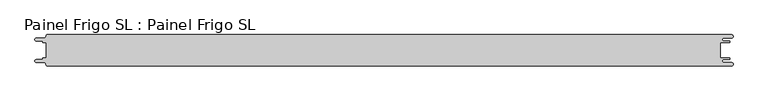
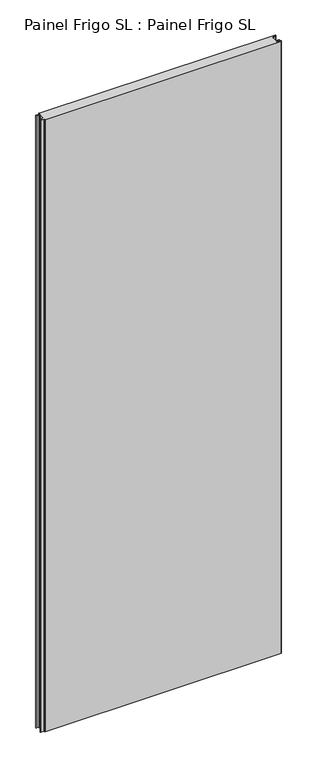
"""IFC4 building model written with IfcOpenShell, lengths in millimetres: proxy geometry, Painel Frigo SL : Painel Frigo SL."""

import ifcopenshell
import ifcopenshell.guid

model = None  # the IFC model being written
_history = None  # IfcOwnerHistory: only IFC2X3 demands one
_inside = {}  # id of a spatial element -> (the spatial element, [elements in it])
_under = {}  # id of a project, library or spatial element -> (it, [spatial elements below it])
_declared = {}  # id of a project -> (the project, [libraries it declares])
_typed = {}  # id of a type object -> (the type object, [elements of that type])
_made_of = {}  # id of a material, layer set ... -> (it, [elements and type objects made of it])


def new_model(schema):
    """Start an empty IFC model of exactly this schema.

    Asked for "IFC4X3", IfcOpenShell would pick the latest addendum, in which some entities
    have other attributes; the version numbers below select the first issue.
    IFC2X3 requires an IfcOwnerHistory on every rooted entity: one is made here for all.
    """
    global model, _history
    if schema == "IFC4X3":
        model = ifcopenshell.file(schema_version=(4, 3, 0, 0))
    else:
        model = ifcopenshell.file(schema=schema)
    _inside.clear()
    _under.clear()
    _declared.clear()
    _typed.clear()
    _made_of.clear()
    _history = None
    if model.schema == "IFC2X3":
        org = make("IfcOrganization", Name="unknown")
        user = make(
            "IfcPersonAndOrganization",
            ThePerson=make("IfcPerson", FamilyName="unknown"),
            TheOrganization=org,
        )
        app = make(
            "IfcApplication",
            ApplicationDeveloper=org,
            Version="unknown",
            ApplicationFullName="unknown",
            ApplicationIdentifier="unknown",
        )
        _history = make(
            "IfcOwnerHistory",
            OwningUser=user,
            OwningApplication=app,
            ChangeAction="ADDED",
            CreationDate=0,
        )
    return model


def make(cls, **values):
    """One entity of the class cls with the attributes given. An attribute that is None is left unset."""
    return model.create_entity(
        cls, **{name: value for name, value in values.items() if value is not None}
    )


def rooted(cls, **values):
    """An entity with a GlobalId (a new one), such as an element, a storey or a relation."""
    return make(cls, GlobalId=ifcopenshell.guid.new(), OwnerHistory=_history, **values)


def si_unit(unit_type, name, prefix=None):
    """IfcSIUnit, for example si_unit("LENGTHUNIT", "METRE", prefix="MILLI")."""
    return make("IfcSIUnit", UnitType=unit_type, Prefix=prefix, Name=name)


def assignment(units):
    """IfcUnitAssignment: the units of a project."""
    return None if units is None else make("IfcUnitAssignment", Units=units)


def point(xyz):
    """IfcCartesianPoint."""
    return None if xyz is None else make("IfcCartesianPoint", Coordinates=xyz)


def direction(xyz):
    """IfcDirection."""
    return None if xyz is None else make("IfcDirection", DirectionRatios=xyz)


def frame(location, z_axis=None, x_axis=None):
    """IfcAxis2Placement3D, a coordinate frame: its origin and axes. An axis left out is left unset."""
    return make(
        "IfcAxis2Placement3D",
        Location=point(location),
        Axis=direction(z_axis),
        RefDirection=direction(x_axis),
    )


def origin():
    """The frame at (0, 0, 0) with its axes left unset."""
    return frame((0.0, 0.0, 0.0))


def place(relative_to, where):
    """IfcLocalPlacement: puts the frame where relative to a parent placement (None: the world)."""
    return make(
        "IfcLocalPlacement", PlacementRelTo=relative_to, RelativePlacement=where
    )


def context(
    kind, dimensions, precision=None, world=None, true_north=None, identifier=None
):
    """IfcGeometricRepresentationContext, for example the 3D "Model" context."""
    return make(
        "IfcGeometricRepresentationContext",
        ContextIdentifier=identifier,
        ContextType=kind,
        CoordinateSpaceDimension=dimensions,
        Precision=precision,
        WorldCoordinateSystem=world,
        TrueNorth=true_north,
    )


def project(units=None, contexts=None):
    """IfcProject with its units and contexts."""
    return rooted(
        "IfcProject",
        Name="project",
        RepresentationContexts=contexts,
        UnitsInContext=assignment(units),
    )


def spatial(cls, under=None, at=None, **own):
    """A site, building, storey or space (cls), placed at a placement, below another one or the project."""
    s = rooted(cls, ObjectPlacement=at, **own)
    if under is not None:
        _under.setdefault(under.id(), (under, []))[1].append(s)
    return s


def polyline(points):
    """IfcPolyline through the points."""
    return make("IfcPolyline", Points=[point(p) for p in points])


def circle_curve(where, radius):
    """IfcCircle in the frame where."""
    return make("IfcCircle", Position=where, Radius=radius)


def shape(context_of_items, identifier, shape_type, items):
    """IfcShapeRepresentation: the items that make up one representation, for example the "Body"."""
    return make(
        "IfcShapeRepresentation",
        ContextOfItems=context_of_items,
        RepresentationIdentifier=identifier,
        RepresentationType=shape_type,
        Items=items,
    )


def source(mapping_origin, context_of_items, identifier, shape_type, items):
    """IfcRepresentationMap: a shape defined once, which mapped items show again and again."""
    return make(
        "IfcRepresentationMap",
        MappingOrigin=mapping_origin,
        MappedRepresentation=shape(context_of_items, identifier, shape_type, items),
    )


def transform(
    local_origin,
    x_axis=None,
    y_axis=None,
    z_axis=None,
    scale=None,
    scale2=None,
    scale3=None,
    uniform=True,
):
    """IfcCartesianTransformationOperator3D, or its non-uniform kind. x_axis, y_axis, z_axis: its Axis1, 2, 3."""
    if uniform:
        return make(
            "IfcCartesianTransformationOperator3D",
            Axis1=direction(x_axis),
            Axis2=direction(y_axis),
            LocalOrigin=point(local_origin),
            Scale=scale,
            Axis3=direction(z_axis),
        )
    return make(
        "IfcCartesianTransformationOperator3DnonUniform",
        Axis1=direction(x_axis),
        Axis2=direction(y_axis),
        LocalOrigin=point(local_origin),
        Scale=scale,
        Axis3=direction(z_axis),
        Scale2=scale2,
        Scale3=scale3,
    )


def mapped(mapping_source, mapping_target):
    """IfcMappedItem: shows the shape of a source again, moved by a transform."""
    return make(
        "IfcMappedItem", MappingSource=mapping_source, MappingTarget=mapping_target
    )


def made_of(thing, what):
    """Note that an element or type object is made of a material, layer set ...; save() writes the relation."""
    if what is not None:
        _made_of.setdefault(what.id(), (what, []))[1].append(thing)
    return thing


def element(
    cls,
    number,
    at=None,
    inside=None,
    cuts=None,
    type_object=None,
    material=None,
    context=None,
    identifier="Body",
    shape_type=None,
    held_by="IfcProductDefinitionShape",
    body=None,
    shapes=None,
    **own,
):
    """One element of the class cls, such as IfcWall. Its Tag is "e" and its number.

    at: its placement. inside: the storey or other place that contains it. cuts: it is an
    opening in that element (IfcRelVoidsElement). A single representation is given by context,
    identifier, shape_type and body (its items); several are given by shapes. held_by: the class
    of the entity that holds the representations. save() writes the other relations.
    """
    e = rooted(cls, Tag="e%d" % number, ObjectPlacement=at, **own)
    if body is not None:
        shapes = [shape(context, identifier, shape_type, body)]
    if shapes is not None:
        e.Representation = make(held_by, Representations=shapes)
    if inside is not None:
        _inside.setdefault(inside.id(), (inside, []))[1].append(e)
    if cuts is not None:
        rooted(
            "IfcRelVoidsElement", RelatingBuildingElement=cuts, RelatedOpeningElement=e
        )
    if type_object is not None:
        _typed.setdefault(type_object.id(), (type_object, []))[1].append(e)
    return made_of(e, material)


def aggregate(whole, parts):
    """IfcRelAggregates: a whole, such as a stair, and the parts it consists of."""
    return rooted("IfcRelAggregates", RelatingObject=whole, RelatedObjects=parts)


def save(model, path):
    """Write the relations noted so far, then the file.

    IfcRelAggregates (storeys below a building ...), IfcRelContainedInSpatialStructure (elements
    in a storey), IfcRelDefinesByType, IfcRelAssociatesMaterial and IfcRelDeclares: one each for
    every whole, place, type object, material and project.
    """
    for whole, parts in _under.values():
        aggregate(whole, parts)
    for where, things in _inside.values():
        rooted(
            "IfcRelContainedInSpatialStructure",
            RelatedElements=things,
            RelatingStructure=where,
        )
    for kind, things in _typed.values():
        rooted("IfcRelDefinesByType", RelatedObjects=things, RelatingType=kind)
    for what, things in _made_of.values():
        rooted("IfcRelAssociatesMaterial", RelatedObjects=things, RelatingMaterial=what)
    for by, libraries in _declared.values():
        rooted("IfcRelDeclares", RelatingContext=by, RelatedDefinitions=libraries)
    model.write(path)


def plane_surface(at):
    """IfcPlane: the flat surface through the origin of the frame at, square to its z axis."""
    return make("IfcPlane", Position=at)


def cylinder_surface(at, radius):
    """IfcCylindricalSurface: all points at the distance radius from the z axis of the frame at."""
    return make("IfcCylindricalSurface", Position=at, Radius=radius)


def revolved_surface(curve, axis_point, axis_direction):
    """IfcSurfaceOfRevolution: the curve turned about the line through axis_point along axis_direction."""
    return make(
        "IfcSurfaceOfRevolution",
        SweptCurve=make("IfcArbitraryOpenProfileDef", ProfileType="CURVE", Curve=curve),
        AxisPosition=make("IfcAxis1Placement", Location=point(axis_point), Axis=direction(axis_direction)),
    )


def advanced_brep(points, edges, surfaces, faces):
    """IfcAdvancedBrep: a solid bounded by faces that lie on surfaces and meet in shared edges.

    An edge is (start, end): straight between two places in points (the first is 0);
    or (start, end, curve); or (start, end, curve, False) where it runs against its curve.
    A face is (place in surfaces, loops), or (place, loops, False) where it looks against
    its surface's normal. A loop lists edges by number (the first is 1), with a minus sign
    where the edge is run from its end to its start. The first loop is the outer one.
    """
    corners = [point(p) for p in points]
    vertices = [make("IfcVertexPoint", VertexGeometry=c) for c in corners]
    made = []
    for start, end, *more in edges:
        made.append(
            make(
                "IfcEdgeCurve",
                EdgeStart=vertices[start],
                EdgeEnd=vertices[end],
                EdgeGeometry=more[0] if more else make("IfcPolyline", Points=[corners[start], corners[end]]),
                SameSense=more[1] if len(more) > 1 else True,
            )
        )
    hull = []
    for where, loops, *sense in faces:
        bounds = []
        for j, loop in enumerate(loops):
            ring = [make("IfcOrientedEdge", EdgeElement=made[abs(k) - 1], Orientation=k > 0) for k in loop]
            bounds.append(
                make(
                    "IfcFaceOuterBound" if j == 0 else "IfcFaceBound",
                    Bound=make("IfcEdgeLoop", EdgeList=ring),
                    Orientation=True,
                )
            )
        hull.append(make("IfcAdvancedFace", Bounds=bounds, FaceSurface=surfaces[where], SameSense=sense[0] if sense else True))
    return make("IfcAdvancedBrep", Outer=make("IfcClosedShell", CfsFaces=hull))


def painel_frigo_sl_painel_frigo_sl_40a0aaa0(model_context):
    return source(origin(), model_context, "Body", "AdvancedBrep", [
        advanced_brep(
        [(-554.5874998, 12.3, 3000.0), (-549.2999612, 12.3, 3000.0), (-549.2999612, -12.2999995, 3000.0), (-554.5874998, -12.2999995, 3000.0), (-555.1875003, -12.9, 3000.0), (-555.1875003, -13.7085185, 3000.0), (-556.5875003, -15.1085185, 3000.0), (-565.565625, -15.1085185, 3000.0), (-565.565625, -19.5085185, 3000.0), (-553.55, -19.5085185, 3000.0), (-550.0, -23.0585185, 3000.0), (-548.05, -25.0, 3000.0), (546.89375, -25.0, 3000.0), (546.89375, -19.725, 3000.0), (534.45625, -19.725, 3000.0), (534.45625, -14.875, 3000.0), (543.1187503, -14.875, 3000.0), (543.1187503, -12.3, 3000.0), (529.2687503, -12.3, 3000.0), (529.2687503, 12.3, 3000.0), (543.1187503, 12.3, 3000.0), (543.1187503, 14.875, 3000.0), (534.45625, 14.875, 3000.0), (534.45625, 19.725, 3000.0), (546.89375, 19.725, 3000.0), (546.89375, 25.0, 3000.0), (-548.05, 25.0, 3000.0), (-550.0, 23.05, 3000.0), (-553.55, 19.5085185, 3000.0), (-565.565625, 19.5085185, 3000.0), (-565.565625, 15.1085187, 3000.0), (-556.5875001, 15.1085187, 3000.0), (-555.1874998, 13.7085184, 3000.0), (-555.1874998, 12.9, 3000.0), (-554.5874998, 12.3, 0.0), (-555.1874998, 12.9, 0.0), (-555.1874998, 13.7085184, 0.0), (-556.5875001, 15.1085187, 0.0), (-565.565625, 15.1085187, 0.0), (-565.565625, 19.5085185, 0.0), (-553.55, 19.5085185, 0.0), (-550.0, 23.0585185, 0.0), (-548.05, 25.0, 0.0), (546.89375, 25.0, 0.0), (546.89375, 19.725, 0.0), (534.45625, 19.725, 0.0), (534.45625, 14.875, 0.0), (543.1187503, 14.875, 0.0), (543.1187503, 12.3, 0.0), (529.2687503, 12.3, 0.0), (529.2687503, -12.3, 0.0), (543.1187503, -12.3, 0.0), (543.1187503, -14.875, 0.0), (534.45625, -14.875, 0.0), (534.45625, -19.725, 0.0), (546.89375, -19.725, 0.0), (546.89375, -25.0, 0.0), (-548.05, -25.0, 0.0), (-550.0, -23.05, 0.0), (-553.55, -19.5085185, 0.0), (-565.565625, -19.5085185, 0.0), (-565.565625, -15.1085185, 0.0), (-556.5875003, -15.1085185, 0.0), (-555.1875003, -13.7085185, 0.0), (-555.1875003, -12.9, 0.0), (-554.5874998, -12.2999995, 0.0), (-549.2999612, -12.2999995, 0.0), (-549.2999612, 12.3, 0.0)],
        [
            (0, 1),
            (1, 2),
            (2, 3),
            (3, 4, circle_curve(frame((-554.5874998, -12.9, 3000.0), z_axis=(0.0, 0.0, 1.0), x_axis=(1.0, 0.0, 0.0)), 0.6000005)),
            (4, 5),
            (5, 6, circle_curve(frame((-556.5875003, -13.7085185, 3000.0), z_axis=(0.0, 0.0, -1.0), x_axis=(1.0, 0.0, 0.0)), 1.4)),
            (6, 7),
            (7, 8, circle_curve(frame((-565.565625, -17.3085185, 3000.0), z_axis=(0.0, 0.0, 1.0), x_axis=(1.0, 0.0, 0.0)), 2.2)),
            (8, 9),
            (9, 10, circle_curve(frame((-553.55, -23.0585185, 3000.0), z_axis=(0.0, 0.0, -1.0), x_axis=(1.0, 0.0, 0.0)), 3.55)),
            (10, 11, circle_curve(frame((-548.05, -23.05, 3000.0), z_axis=(0.0, 0.0, 1.0), x_axis=(1.0, 0.0, 0.0)), 1.95)),
            (11, 12),
            (12, 13, circle_curve(frame((546.89375, -22.3625, 3000.0), z_axis=(0.0, 0.0, 1.0), x_axis=(1.0, 0.0, 0.0)), 2.6375)),
            (13, 14),
            (14, 15, circle_curve(frame((534.45625, -17.3, 3000.0), z_axis=(0.0, 0.0, -1.0), x_axis=(1.0, 0.0, 0.0)), 2.425)),
            (15, 16),
            (16, 17, circle_curve(frame((543.1187503, -13.5875, 3000.0), z_axis=(0.0, 0.0, 1.0), x_axis=(1.0, 0.0, 0.0)), 1.2875)),
            (17, 18),
            (18, 19),
            (19, 20),
            (20, 21, circle_curve(frame((543.1187503, 13.5875, 3000.0), z_axis=(0.0, 0.0, 1.0), x_axis=(1.0, 0.0, 0.0)), 1.2875)),
            (21, 22),
            (22, 23, circle_curve(frame((534.45625, 17.3, 3000.0), z_axis=(0.0, 0.0, -1.0), x_axis=(1.0, 0.0, 0.0)), 2.425)),
            (23, 24),
            (24, 25, circle_curve(frame((546.89375, 22.3625, 3000.0), z_axis=(0.0, 0.0, 1.0), x_axis=(1.0, 0.0, 0.0)), 2.6375)),
            (25, 26),
            (26, 27, circle_curve(frame((-548.05, 23.05, 3000.0), z_axis=(0.0, 0.0, 1.0), x_axis=(1.0, 0.0, 0.0)), 1.95)),
            (27, 28, circle_curve(frame((-553.55, 23.0585185, 3000.0), z_axis=(0.0, 0.0, -1.0), x_axis=(1.0, 0.0, 0.0)), 3.55)),
            (28, 29),
            (29, 30, circle_curve(frame((-565.565625, 17.3085186, 3000.0), z_axis=(0.0, 0.0, 1.0), x_axis=(1.0, 0.0, 0.0)), 2.1999999)),
            (30, 31),
            (31, 32, circle_curve(frame((-556.5875001, 13.7085184, 3000.0), z_axis=(0.0, 0.0, -1.0), x_axis=(1.0, 0.0, 0.0)), 1.4000003)),
            (32, 33),
            (33, 0, circle_curve(frame((-554.5874998, 12.9, 3000.0), z_axis=(0.0, 0.0, 1.0), x_axis=(1.0, 0.0, 0.0)), 0.6)),
            (34, 35, circle_curve(frame((-554.5874998, 12.9, 0.0), z_axis=(0.0, 0.0, -1.0), x_axis=(1.0, 0.0, 0.0)), 0.6)),
            (35, 36),
            (36, 37, circle_curve(frame((-556.5875001, 13.7085184, 0.0), z_axis=(0.0, 0.0, 1.0), x_axis=(1.0, 0.0, 0.0)), 1.4000003)),
            (37, 38),
            (38, 39, circle_curve(frame((-565.565625, 17.3085186, 0.0), z_axis=(0.0, 0.0, -1.0), x_axis=(1.0, 0.0, 0.0)), 2.1999999)),
            (39, 40),
            (40, 41, circle_curve(frame((-553.55, 23.0585185, 0.0), z_axis=(0.0, 0.0, 1.0), x_axis=(1.0, 0.0, 0.0)), 3.55)),
            (41, 42, circle_curve(frame((-548.05, 23.05, 0.0), z_axis=(0.0, 0.0, -1.0), x_axis=(1.0, 0.0, 0.0)), 1.95)),
            (42, 43),
            (43, 44, circle_curve(frame((546.89375, 22.3625, 0.0), z_axis=(0.0, 0.0, -1.0), x_axis=(1.0, 0.0, 0.0)), 2.6375)),
            (44, 45),
            (45, 46, circle_curve(frame((534.45625, 17.3, 0.0), z_axis=(0.0, 0.0, 1.0), x_axis=(1.0, 0.0, 0.0)), 2.425)),
            (46, 47),
            (47, 48, circle_curve(frame((543.1187503, 13.5875, 0.0), z_axis=(0.0, 0.0, -1.0), x_axis=(1.0, 0.0, 0.0)), 1.2875)),
            (48, 49),
            (49, 50),
            (50, 51),
            (51, 52, circle_curve(frame((543.1187503, -13.5875, 0.0), z_axis=(0.0, 0.0, -1.0), x_axis=(1.0, 0.0, 0.0)), 1.2875)),
            (52, 53),
            (53, 54, circle_curve(frame((534.45625, -17.3, 0.0), z_axis=(0.0, 0.0, 1.0), x_axis=(1.0, 0.0, 0.0)), 2.425)),
            (54, 55),
            (55, 56, circle_curve(frame((546.89375, -22.3625, 0.0), z_axis=(0.0, 0.0, -1.0), x_axis=(1.0, 0.0, 0.0)), 2.6375)),
            (56, 57),
            (57, 58, circle_curve(frame((-548.05, -23.05, 0.0), z_axis=(0.0, 0.0, -1.0), x_axis=(1.0, 0.0, 0.0)), 1.95)),
            (58, 59, circle_curve(frame((-553.55, -23.0585185, 0.0), z_axis=(0.0, 0.0, 1.0), x_axis=(1.0, 0.0, 0.0)), 3.55)),
            (59, 60),
            (60, 61, circle_curve(frame((-565.565625, -17.3085185, 0.0), z_axis=(0.0, 0.0, -1.0), x_axis=(1.0, 0.0, 0.0)), 2.2)),
            (61, 62),
            (62, 63, circle_curve(frame((-556.5875003, -13.7085185, 0.0), z_axis=(0.0, 0.0, 1.0), x_axis=(1.0, 0.0, 0.0)), 1.4)),
            (63, 64),
            (64, 65, circle_curve(frame((-554.5874998, -12.9, 0.0), z_axis=(0.0, 0.0, -1.0), x_axis=(1.0, 0.0, 0.0)), 0.6000005)),
            (65, 66),
            (66, 67),
            (67, 34),
            (0, 34),
            (67, 1),
            (66, 2),
            (65, 3),
            (64, 4),
            (63, 5),
            (62, 6),
            (61, 7),
            (60, 8),
            (59, 9),
            (58, 10),
            (57, 11),
            (56, 12),
            (18, 50),
            (49, 19),
            (48, 20),
            (47, 21),
            (46, 22),
            (45, 23),
            (44, 24),
            (43, 25),
            (42, 26),
            (41, 27),
            (40, 28),
            (39, 29),
            (38, 30),
            (37, 31),
            (36, 32),
            (35, 33),
            (55, 13),
            (54, 14),
            (53, 15),
            (52, 16),
            (51, 17),
        ],
        [
            plane_surface(frame((-549.2999612, 12.3, 3000.0), z_axis=(0.0, 0.0, 1.0), x_axis=(1.0, 0.0, 0.0))),
            plane_surface(frame((-549.2999612, 12.3, 0.0), z_axis=(0.0, 0.0, -1.0), x_axis=(-1.0, 0.0, 0.0))),
            plane_surface(frame((-554.5874998, 12.3, 3000.0), z_axis=(0.0, -1.0, 0.0), x_axis=(0.0, 0.0, -1.0))),
            plane_surface(frame((-549.2999612, 12.3, 3000.0), z_axis=(-1.0, 0.0, 0.0), x_axis=(0.0, 0.0, -1.0))),
            plane_surface(frame((-549.2999612, -12.2999995, 3000.0), z_axis=(0.0, 1.0, 0.0), x_axis=(0.0, 0.0, -1.0))),
            cylinder_surface(frame((-554.5874998, -12.9, 0.0), z_axis=(0.0, 0.0, 1.0), x_axis=(1.0, 0.0, 0.0)), 0.6000005),
            plane_surface(frame((-555.1875003, -12.9, 3000.0), z_axis=(-1.0, 1.7578608662329016e-12, 0.0), x_axis=(0.0, 0.0, -1.0))),
            revolved_surface(polyline([(-555.1875003, -13.7085185, 0.0), (-555.1875003, -13.7085185, 3000.0)]), (-556.5875003, -13.7085185, 0.0), (0.0, 0.0, -1.0)),
            plane_surface(frame((-556.5875003, -15.1085185, 3000.0), z_axis=(0.0, 1.0, 0.0), x_axis=(0.0, 0.0, -1.0))),
            cylinder_surface(frame((-565.565625, -17.3085185, 0.0), z_axis=(0.0, 0.0, 1.0), x_axis=(1.0, 0.0, 0.0)), 2.2),
            plane_surface(frame((-565.565625, -19.5085185, 3000.0), z_axis=(0.0, -1.0, 0.0), x_axis=(0.0, 0.0, -1.0))),
            revolved_surface(polyline([(-550.0, -23.0585185, 0.0), (-550.0, -23.0585185, 3000.0)]), (-553.55, -23.0585185, 0.0), (0.0, 0.0, -1.0)),
            cylinder_surface(frame((-548.05, -23.05, 0.0), z_axis=(0.0, 0.0, 1.0), x_axis=(1.0, 0.0, 0.0)), 1.95),
            plane_surface(frame((-548.05, -25.0, 3000.0), z_axis=(0.0, -1.0, 0.0), x_axis=(0.0, 0.0, -1.0))),
            plane_surface(frame((529.2687503, -12.3, 3000.0), z_axis=(1.0, 0.0, 0.0), x_axis=(0.0, 0.0, -1.0))),
            plane_surface(frame((529.2687503, 12.3, 3000.0), z_axis=(0.0, -1.0, 0.0), x_axis=(0.0, 0.0, -1.0))),
            cylinder_surface(frame((543.1187503, 13.5875, 0.0), z_axis=(0.0, 0.0, 1.0), x_axis=(1.0, 0.0, 0.0)), 1.2875),
            plane_surface(frame((543.1187503, 14.875, 3000.0), z_axis=(0.0, 1.0, 0.0), x_axis=(0.0, 0.0, -1.0))),
            revolved_surface(polyline([(536.8812499999999, 17.3, 0.0), (536.8812499999999, 17.3, 3000.0)]), (534.45625, 17.3, 0.0), (0.0, 0.0, -1.0)),
            plane_surface(frame((534.45625, 19.725, 3000.0), z_axis=(0.0, -1.0, 0.0), x_axis=(0.0, 0.0, -1.0))),
            cylinder_surface(frame((546.89375, 22.3625, 0.0), z_axis=(0.0, 0.0, 1.0), x_axis=(1.0, 0.0, 0.0)), 2.6375),
            plane_surface(frame((546.89375, 25.0, 3000.0), z_axis=(0.0, 1.0, 0.0), x_axis=(0.0, 0.0, -1.0))),
            cylinder_surface(frame((-548.05, 23.05, 0.0), z_axis=(0.0, 0.0, 1.0), x_axis=(1.0, 0.0, 0.0)), 1.95),
            revolved_surface(polyline([(-550.0, 23.0585185, 0.0), (-550.0, 23.0585185, 3000.0)]), (-553.55, 23.0585185, 0.0), (0.0, 0.0, -1.0)),
            plane_surface(frame((-553.55, 19.5085185, 3000.0), z_axis=(0.0, 1.0, 0.0), x_axis=(0.0, 0.0, -1.0))),
            cylinder_surface(frame((-565.565625, 17.3085186, 0.0), z_axis=(0.0, 0.0, 1.0), x_axis=(1.0, 0.0, 0.0)), 2.1999999),
            plane_surface(frame((-565.565625, 15.1085187, 3000.0), z_axis=(0.0, -1.0, 0.0), x_axis=(0.0, 0.0, -1.0))),
            revolved_surface(polyline([(-555.1874998000001, 13.7085184, 0.0), (-555.1874998000001, 13.7085184, 3000.0)]), (-556.5875001, 13.7085184, 0.0), (0.0, 0.0, -1.0)),
            plane_surface(frame((-555.1874998, 13.7085184, 3000.0), z_axis=(-1.0, 0.0, 0.0), x_axis=(0.0, 0.0, -1.0))),
            cylinder_surface(frame((-554.5874998, 12.9, 0.0), z_axis=(0.0, 0.0, 1.0), x_axis=(1.0, 0.0, 0.0)), 0.6),
            cylinder_surface(frame((546.89375, -22.3625, 0.0), z_axis=(0.0, 0.0, 1.0), x_axis=(1.0, 0.0, 0.0)), 2.6375),
            plane_surface(frame((546.89375, -19.725, 3000.0), z_axis=(0.0, 1.0, 0.0), x_axis=(0.0, 0.0, -1.0))),
            revolved_surface(polyline([(536.8812499999999, -17.3, 0.0), (536.8812499999999, -17.3, 3000.0)]), (534.45625, -17.3, 0.0), (0.0, 0.0, -1.0)),
            plane_surface(frame((534.45625, -14.875, 3000.0), z_axis=(0.0, -1.0, 0.0), x_axis=(0.0, 0.0, -1.0))),
            cylinder_surface(frame((543.1187503, -13.5875, 0.0), z_axis=(0.0, 0.0, 1.0), x_axis=(1.0, 0.0, 0.0)), 1.2875),
            plane_surface(frame((543.1187503, -12.3, 3000.0), z_axis=(0.0, 1.0, 0.0), x_axis=(0.0, 0.0, -1.0))),
        ],
        [
            (0, [[1, 2, 3, 4, 5, 6, 7, 8, 9, 10, 11, 12, 13, 14, 15, 16, 17, 18, 19, 20, 21, 22, 23, 24, 25, 26, 27, 28, 29, 30, 31, 32, 33, 34]]),
            (1, [[35, 36, 37, 38, 39, 40, 41, 42, 43, 44, 45, 46, 47, 48, 49, 50, 51, 52, 53, 54, 55, 56, 57, 58, 59, 60, 61, 62, 63, 64, 65, 66, 67, 68]]),
            (2, [[-1, 69, -68, 70]]),
            (3, [[-2, -70, -67, 71]]),
            (4, [[-3, -71, -66, 72]]),
            (5, [[-4, -72, -65, 73]]),
            (6, [[-5, -73, -64, 74]]),
            (7, [[-6, -74, -63, 75]]),
            (8, [[-7, -75, -62, 76]]),
            (9, [[-8, -76, -61, 77]]),
            (10, [[-9, -77, -60, 78]]),
            (11, [[-10, -78, -59, 79]]),
            (12, [[-11, -79, -58, 80]]),
            (13, [[-12, -80, -57, 81]]),
            (14, [[-19, 82, -50, 83]]),
            (15, [[-20, -83, -49, 84]]),
            (16, [[-21, -84, -48, 85]]),
            (17, [[-22, -85, -47, 86]]),
            (18, [[-23, -86, -46, 87]]),
            (19, [[-24, -87, -45, 88]]),
            (20, [[-25, -88, -44, 89]]),
            (21, [[-26, -89, -43, 90]]),
            (22, [[-27, -90, -42, 91]]),
            (23, [[-28, -91, -41, 92]]),
            (24, [[-29, -92, -40, 93]]),
            (25, [[-30, -93, -39, 94]]),
            (26, [[-31, -94, -38, 95]]),
            (27, [[-32, -95, -37, 96]]),
            (28, [[-33, -96, -36, 97]]),
            (29, [[-34, -97, -35, -69]]),
            (30, [[-13, -81, -56, 98]]),
            (31, [[-14, -98, -55, 99]]),
            (32, [[-15, -99, -54, 100]]),
            (33, [[-16, -100, -53, 101]]),
            (34, [[-17, -101, -52, 102]]),
            (35, [[-18, -102, -51, -82]]),
        ],
    ),
    ])


if __name__ == "__main__":
    model = new_model("IFC4")
    model_context = context("Model", 3, world=origin())
    ifc_project = project(units=[si_unit("LENGTHUNIT", "METRE", prefix="MILLI")], contexts=[model_context])
    site = spatial("IfcSite", under=ifc_project)
    building = spatial("IfcBuilding", under=site)
    placement = place(None, origin())
    painel_frigo_sl_painel_frigo_sl_shape = painel_frigo_sl_painel_frigo_sl_40a0aaa0(model_context)
    element("IfcBuildingElementProxy", 1, Name="Painel Frigo SL : Painel Frigo SL", ObjectType="Painel Frigo SL : Painel Frigo SL", at=placement, inside=building, context=model_context, shape_type="MappedRepresentation", body=[
        mapped(painel_frigo_sl_painel_frigo_sl_shape, transform((0.0, 0.0, 0.0), x_axis=(1.0, 0.0, 0.0), y_axis=(0.0, 1.0, 0.0), z_axis=(0.0, 0.0, 1.0))),
    ])
    save(model, "model.ifc")
